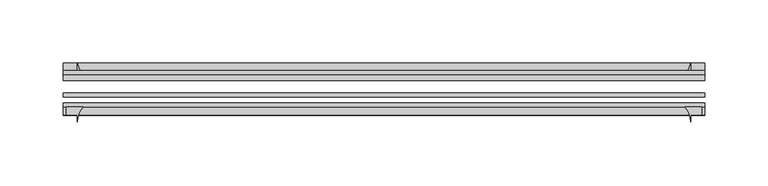
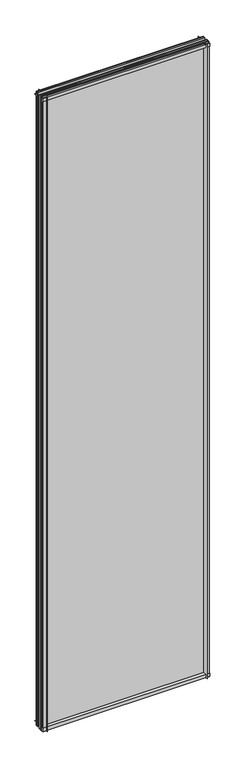
"""IFC4 building model written with IfcOpenShell, lengths in millimetres: plate geometry."""

from ifc_helpers import new_model, si_unit, point, frame, frame_2d, origin, place, context, project, spatial, polyline, circle_curve, trimmed, segment, composite_curve, outline, extrude, source, transform, mapped, element, save


def plate_0ce3673c(model_context):
    return source(origin(), model_context, "Body", "SweptSolid", [
        extrude(outline(composite_curve([segment(polyline([(-42.891075, -11.1125), (-42.891075, 3.8539528)]), True, "CONTINUOUS"), segment(trimmed(circle_curve(frame_2d((-26.637892, 29.5913262)), 30.4397495), [point((-42.891075, 3.8539528))], [point((-33.7745413, 0.0))], True, "CARTESIAN"), True, "CONTINUOUS"), segment(polyline([(-33.7745413, 0.0), (-39.690675, 0.0), (-39.690675, -11.1125), (-42.891075, -11.1125)]), True, "CONTINUOUS")], self_intersect=False)), frame((-253.3656495, 0.0, 0.0), z_axis=(1.0, 0.0, 0.0), x_axis=(0.0, 1.0, 0.0)), (0.0, 0.0, 1.0), 506.7312991),
        extrude(outline(composite_curve([segment(trimmed(circle_curve(frame_2d((-80.4922797, 17.8701603)), 18.6769817), [point((-74.641075, 0.1333891))], [point((-68.291075, 3.72943))], True, "CARTESIAN"), True, "CONTINUOUS"), segment(polyline([(-68.291075, 3.72943), (-68.291075, -10.3251), (-74.641075, -10.3251), (-74.641075, 0.1333891)]), True, "CONTINUOUS")], self_intersect=False)), frame((-253.3656495, 0.0, 0.0), z_axis=(1.0, 0.0, 0.0), x_axis=(0.0, 1.0, 0.0)), (0.0, 0.0, 1.0), 506.7312991),
        extrude(outline(composite_curve([segment(polyline([(-42.891075, 2005.9083472), (-42.891075, 2020.8875), (-39.690675, 2020.8875), (-39.690675, 2009.775), (-33.721675, 2009.775)]), True, "CONTINUOUS"), segment(trimmed(circle_curve(frame_2d((-26.637892, 1980.1709738)), 30.4397495), [point((-33.721675, 2009.775))], [point((-42.891075, 2005.9083472))], True, "CARTESIAN"), True, "CONTINUOUS")], self_intersect=False)), frame((-253.3656495, 0.0, 0.0), z_axis=(1.0, 0.0, 0.0), x_axis=(0.0, 1.0, 0.0)), (0.0, 0.0, 1.0), 506.7312991),
        extrude(outline(composite_curve([segment(polyline([(-68.291075, 2018.5126), (-68.291075, 2005.23912)]), True, "CONTINUOUS"), segment(trimmed(circle_curve(frame_2d((-80.4922797, 1991.0983897)), 18.6769817), [point((-68.291075, 2005.23912))], [point((-74.641075, 2008.8351609))], True, "CARTESIAN"), True, "CONTINUOUS"), segment(polyline([(-74.641075, 2008.8351609), (-74.641075, 2018.5126), (-68.291075, 2018.5126)]), True, "CONTINUOUS")], self_intersect=False)), frame((-253.3656495, 0.0, 0.0), z_axis=(1.0, 0.0, 0.0), x_axis=(0.0, 1.0, 0.0)), (0.0, 0.0, 1.0), 506.7312991),
        extrude(outline(composite_curve([segment(polyline([(237.7172695, -68.291075), (250.9907495, -68.291075), (250.9907495, -74.641075), (242.2531495, -74.641075), (242.2531495, -80.3744844)]), True, "CONTINUOUS"), segment(trimmed(circle_curve(frame_2d((223.5765393, -80.4922797)), 18.6769817), [point((242.2531495, -80.3744844))], [point((237.7172695, -68.291075))], True, "CARTESIAN"), True, "CONTINUOUS")], self_intersect=False)), frame((0.0, 0.0, -11.1125), z_axis=(0.0, 0.0, 1.0), x_axis=(1.0, 0.0, 0.0)), (0.0, 0.0, 1.0), 2032.0),
        extrude(outline(composite_curve([segment(trimmed(circle_curve(frame_2d((212.6491233, -26.637892)), 30.4397495), [point((238.3864968, -42.891075))], [point((242.2531495, -33.721675))], True, "CARTESIAN"), True, "CONTINUOUS"), segment(polyline([(242.2531495, -33.721675), (242.2531495, -39.690675), (253.3656495, -39.690675), (253.3656495, -42.891075), (238.3864968, -42.891075)]), True, "CONTINUOUS")], self_intersect=False)), frame((0.0, 0.0, -11.1125), z_axis=(0.0, 0.0, 1.0), x_axis=(1.0, 0.0, 0.0)), (0.0, 0.0, 1.0), 2032.0),
        extrude(outline(composite_curve([segment(trimmed(circle_curve(frame_2d((-223.5765393, -80.4922797)), 18.6769817), [point((-237.7172695, -68.291075))], [point((-242.2531495, -80.3744844))], True, "CARTESIAN"), True, "CONTINUOUS"), segment(polyline([(-242.2531495, -80.3744844), (-242.2531495, -74.641075), (-250.9907495, -74.641075), (-250.9907495, -68.291075), (-237.7172695, -68.291075)]), True, "CONTINUOUS")], self_intersect=False)), frame((0.0, 0.0, -11.1125), z_axis=(0.0, 0.0, 1.0), x_axis=(1.0, 0.0, 0.0)), (0.0, 0.0, 1.0), 2032.0),
        extrude(outline(composite_curve([segment(polyline([(-238.3864968, -42.891075), (-253.3656495, -42.891075), (-253.3656495, -39.690675), (-242.2531495, -39.690675), (-242.2531495, -33.721675)]), True, "CONTINUOUS"), segment(trimmed(circle_curve(frame_2d((-212.6491233, -26.637892)), 30.4397495), [point((-242.2531495, -33.721675))], [point((-238.3864968, -42.891075))], True, "CARTESIAN"), True, "CONTINUOUS")], self_intersect=False)), frame((0.0, 0.0, -11.1125), z_axis=(0.0, 0.0, 1.0), x_axis=(1.0, 0.0, 0.0)), (0.0, 0.0, 1.0), 2032.0),
        extrude(outline(polyline([(-253.3656495, -42.891075), (253.3656495, -42.891075), (253.3656495, -47.653575), (-253.3656495, -47.653575), (-253.3656495, -42.891075)])), frame((0.0, 0.0, -11.1125), z_axis=(0.0, 0.0, 1.0), x_axis=(1.0, 0.0, 0.0)), (0.0, 0.0, 1.0), 2032.0),
        extrude(outline(polyline([(253.3656495, -57.369075), (253.3656495, -60.544075), (-253.3656495, -60.544075), (-253.3656495, -57.369075), (253.3656495, -57.369075)])), frame((0.0, 0.0, -11.1125), z_axis=(0.0, 0.0, 1.0), x_axis=(1.0, 0.0, 0.0)), (0.0, 0.0, 1.0), 2032.0),
        extrude(outline(polyline([(-253.3656495, -65.116075), (253.3656495, -65.116075), (253.3656495, -68.291075), (-253.3656495, -68.291075), (-253.3656495, -65.116075)])), frame((0.0, 0.0, -11.1125), z_axis=(0.0, 0.0, 1.0), x_axis=(1.0, 0.0, 0.0)), (0.0, 0.0, 1.0), 2032.0),
    ])


if __name__ == "__main__":
    model = new_model("IFC4")
    model_context = context("Model", 3, world=origin())
    ifc_project = project(units=[si_unit("LENGTHUNIT", "METRE", prefix="MILLI")], contexts=[model_context])
    site = spatial("IfcSite", under=ifc_project)
    building = spatial("IfcBuilding", under=site)
    placement = place(None, origin())
    plate_shape = plate_0ce3673c(model_context)
    element("IfcPlate", 1, at=placement, inside=building, context=model_context, shape_type="MappedRepresentation", body=[
        mapped(plate_shape, transform((0.0, 0.0, 0.0), x_axis=(1.0, 0.0, 0.0), y_axis=(0.0, 1.0, 0.0), z_axis=(0.0, 0.0, 1.0))),
    ])
    save(model, "model.ifc")
